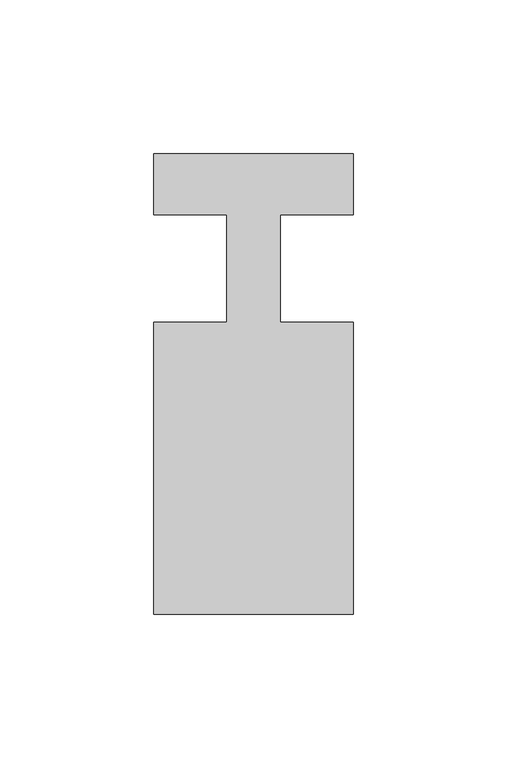
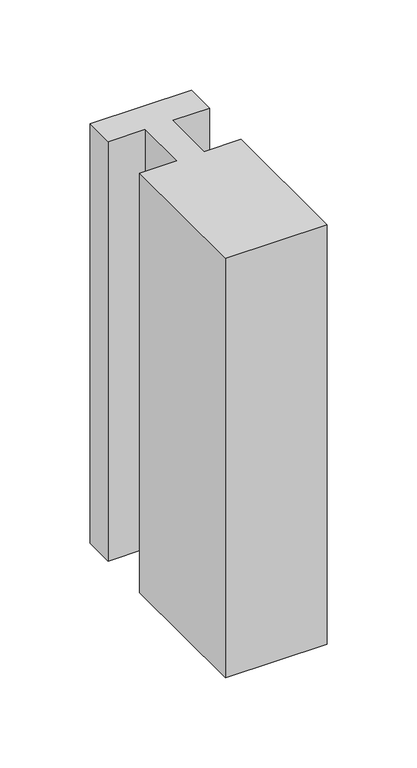
"""IFC4 building model written with IfcOpenShell, lengths in millimetres: member geometry."""

from ifc_helpers import new_model, si_unit, frame, origin, place, context, project, spatial, polyline, outline, extrude, source, transform, mapped, element, save


def member_fb7da5c5(model_context):
    return source(origin(), model_context, "Body", "SweptSolid", [
        extrude(outline(polyline([(-65.0, 37.0), (0.0, 37.0), (0.0, 17.0), (-23.8125, 17.0), (-23.8125, -18.0), (0.0, -18.0), (0.0, -113.0), (-65.0, -113.0), (-65.0, -18.0), (-41.1875, -18.0), (-41.1875, 17.0), (-65.0, 17.0), (-65.0, 37.0)])), frame((0.0, 0.0, -283.9130435), z_axis=(0.0, 0.0, 1.0), x_axis=(1.0, 0.0, 0.0)), (0.0, 0.0, 1.0), 283.9130435),
    ])


if __name__ == "__main__":
    model = new_model("IFC4")
    model_context = context("Model", 3, world=origin())
    ifc_project = project(units=[si_unit("LENGTHUNIT", "METRE", prefix="MILLI")], contexts=[model_context])
    site = spatial("IfcSite", under=ifc_project)
    building = spatial("IfcBuilding", under=site)
    placement = place(None, origin())
    member_shape = member_fb7da5c5(model_context)
    element("IfcMember", 1, at=placement, inside=building, context=model_context, shape_type="MappedRepresentation", body=[
        mapped(member_shape, transform((0.0, 0.0, 0.0), x_axis=(1.0, 0.0, 0.0), y_axis=(0.0, 1.0, 0.0), z_axis=(0.0, 0.0, 1.0))),
    ])
    save(model, "model.ifc")
